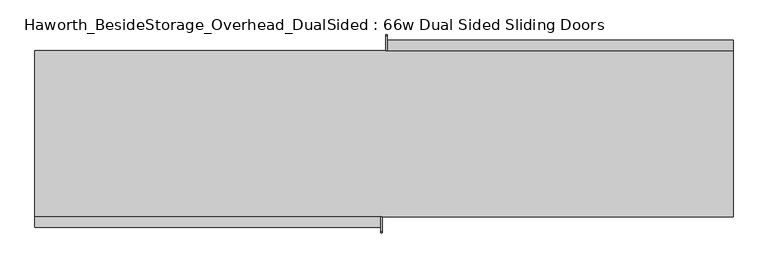
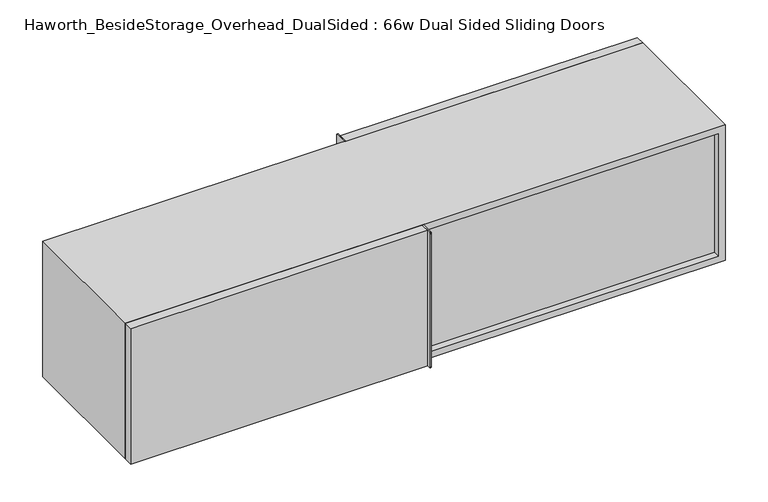
"""IFC4 building model written with IfcOpenShell, lengths in millimetres: furniture geometry, Haworth_BesideStorage_Overhead_DualSided : 66w Dual Sided Sliding Doors."""

import ifcopenshell
import ifcopenshell.guid

model = None  # the IFC model being written
_history = None  # IfcOwnerHistory: only IFC2X3 demands one
_inside = {}  # id of a spatial element -> (the spatial element, [elements in it])
_under = {}  # id of a project, library or spatial element -> (it, [spatial elements below it])
_declared = {}  # id of a project -> (the project, [libraries it declares])
_typed = {}  # id of a type object -> (the type object, [elements of that type])
_made_of = {}  # id of a material, layer set ... -> (it, [elements and type objects made of it])


def new_model(schema):
    """Start an empty IFC model of exactly this schema.

    Asked for "IFC4X3", IfcOpenShell would pick the latest addendum, in which some entities
    have other attributes; the version numbers below select the first issue.
    IFC2X3 requires an IfcOwnerHistory on every rooted entity: one is made here for all.
    """
    global model, _history
    if schema == "IFC4X3":
        model = ifcopenshell.file(schema_version=(4, 3, 0, 0))
    else:
        model = ifcopenshell.file(schema=schema)
    _inside.clear()
    _under.clear()
    _declared.clear()
    _typed.clear()
    _made_of.clear()
    _history = None
    if model.schema == "IFC2X3":
        org = make("IfcOrganization", Name="unknown")
        user = make(
            "IfcPersonAndOrganization",
            ThePerson=make("IfcPerson", FamilyName="unknown"),
            TheOrganization=org,
        )
        app = make(
            "IfcApplication",
            ApplicationDeveloper=org,
            Version="unknown",
            ApplicationFullName="unknown",
            ApplicationIdentifier="unknown",
        )
        _history = make(
            "IfcOwnerHistory",
            OwningUser=user,
            OwningApplication=app,
            ChangeAction="ADDED",
            CreationDate=0,
        )
    return model


def make(cls, **values):
    """One entity of the class cls with the attributes given. An attribute that is None is left unset."""
    return model.create_entity(
        cls, **{name: value for name, value in values.items() if value is not None}
    )


def rooted(cls, **values):
    """An entity with a GlobalId (a new one), such as an element, a storey or a relation."""
    return make(cls, GlobalId=ifcopenshell.guid.new(), OwnerHistory=_history, **values)


def si_unit(unit_type, name, prefix=None):
    """IfcSIUnit, for example si_unit("LENGTHUNIT", "METRE", prefix="MILLI")."""
    return make("IfcSIUnit", UnitType=unit_type, Prefix=prefix, Name=name)


def assignment(units):
    """IfcUnitAssignment: the units of a project."""
    return None if units is None else make("IfcUnitAssignment", Units=units)


def point(xyz):
    """IfcCartesianPoint."""
    return None if xyz is None else make("IfcCartesianPoint", Coordinates=xyz)


def direction(xyz):
    """IfcDirection."""
    return None if xyz is None else make("IfcDirection", DirectionRatios=xyz)


def frame(location, z_axis=None, x_axis=None):
    """IfcAxis2Placement3D, a coordinate frame: its origin and axes. An axis left out is left unset."""
    return make(
        "IfcAxis2Placement3D",
        Location=point(location),
        Axis=direction(z_axis),
        RefDirection=direction(x_axis),
    )


def frame_2d(location, x_axis=None):
    """IfcAxis2Placement2D, a coordinate frame in the plane: its origin and x axis."""
    return make(
        "IfcAxis2Placement2D", Location=point(location), RefDirection=direction(x_axis)
    )


def origin():
    """The frame at (0, 0, 0) with its axes left unset."""
    return frame((0.0, 0.0, 0.0))


def place(relative_to, where):
    """IfcLocalPlacement: puts the frame where relative to a parent placement (None: the world)."""
    return make(
        "IfcLocalPlacement", PlacementRelTo=relative_to, RelativePlacement=where
    )


def context(
    kind, dimensions, precision=None, world=None, true_north=None, identifier=None
):
    """IfcGeometricRepresentationContext, for example the 3D "Model" context."""
    return make(
        "IfcGeometricRepresentationContext",
        ContextIdentifier=identifier,
        ContextType=kind,
        CoordinateSpaceDimension=dimensions,
        Precision=precision,
        WorldCoordinateSystem=world,
        TrueNorth=true_north,
    )


def project(units=None, contexts=None):
    """IfcProject with its units and contexts."""
    return rooted(
        "IfcProject",
        Name="project",
        RepresentationContexts=contexts,
        UnitsInContext=assignment(units),
    )


def spatial(cls, under=None, at=None, **own):
    """A site, building, storey or space (cls), placed at a placement, below another one or the project."""
    s = rooted(cls, ObjectPlacement=at, **own)
    if under is not None:
        _under.setdefault(under.id(), (under, []))[1].append(s)
    return s


def polyline(points):
    """IfcPolyline through the points."""
    return make("IfcPolyline", Points=[point(p) for p in points])


def circle_curve(where, radius):
    """IfcCircle in the frame where."""
    return make("IfcCircle", Position=where, Radius=radius)


def trimmed(basis, trim1, trim2, sense, master):
    """IfcTrimmedCurve: the piece of a basis curve between two trims."""
    return make(
        "IfcTrimmedCurve",
        BasisCurve=basis,
        Trim1=trim1,
        Trim2=trim2,
        SenseAgreement=sense,
        MasterRepresentation=master,
    )


def segment(curve, same_sense, transition):
    """IfcCompositeCurveSegment."""
    return make(
        "IfcCompositeCurveSegment",
        Transition=transition,
        SameSense=same_sense,
        ParentCurve=curve,
    )


def composite_curve(segments, self_intersect=None):
    """IfcCompositeCurve: segments joined end to end."""
    return make("IfcCompositeCurve", Segments=segments, SelfIntersect=self_intersect)


def outline(outer, holes=None, kind="AREA"):
    """IfcArbitraryClosedProfileDef: a profile drawn as a closed curve; with holes, ...WithVoids."""
    if holes is None:
        return make("IfcArbitraryClosedProfileDef", ProfileType=kind, OuterCurve=outer)
    return make(
        "IfcArbitraryProfileDefWithVoids",
        ProfileType=kind,
        OuterCurve=outer,
        InnerCurves=holes,
    )


def extrude(swept, where, along, depth):
    """IfcExtrudedAreaSolid: the profile swept, set in the frame where, extruded along a direction by depth."""
    return make(
        "IfcExtrudedAreaSolid",
        SweptArea=swept,
        Position=where,
        ExtrudedDirection=direction(along),
        Depth=depth,
    )


def shape(context_of_items, identifier, shape_type, items):
    """IfcShapeRepresentation: the items that make up one representation, for example the "Body"."""
    return make(
        "IfcShapeRepresentation",
        ContextOfItems=context_of_items,
        RepresentationIdentifier=identifier,
        RepresentationType=shape_type,
        Items=items,
    )


def source(mapping_origin, context_of_items, identifier, shape_type, items):
    """IfcRepresentationMap: a shape defined once, which mapped items show again and again."""
    return make(
        "IfcRepresentationMap",
        MappingOrigin=mapping_origin,
        MappedRepresentation=shape(context_of_items, identifier, shape_type, items),
    )


def transform(
    local_origin,
    x_axis=None,
    y_axis=None,
    z_axis=None,
    scale=None,
    scale2=None,
    scale3=None,
    uniform=True,
):
    """IfcCartesianTransformationOperator3D, or its non-uniform kind. x_axis, y_axis, z_axis: its Axis1, 2, 3."""
    if uniform:
        return make(
            "IfcCartesianTransformationOperator3D",
            Axis1=direction(x_axis),
            Axis2=direction(y_axis),
            LocalOrigin=point(local_origin),
            Scale=scale,
            Axis3=direction(z_axis),
        )
    return make(
        "IfcCartesianTransformationOperator3DnonUniform",
        Axis1=direction(x_axis),
        Axis2=direction(y_axis),
        LocalOrigin=point(local_origin),
        Scale=scale,
        Axis3=direction(z_axis),
        Scale2=scale2,
        Scale3=scale3,
    )


def mapped(mapping_source, mapping_target):
    """IfcMappedItem: shows the shape of a source again, moved by a transform."""
    return make(
        "IfcMappedItem", MappingSource=mapping_source, MappingTarget=mapping_target
    )


def made_of(thing, what):
    """Note that an element or type object is made of a material, layer set ...; save() writes the relation."""
    if what is not None:
        _made_of.setdefault(what.id(), (what, []))[1].append(thing)
    return thing


def element(
    cls,
    number,
    at=None,
    inside=None,
    cuts=None,
    type_object=None,
    material=None,
    context=None,
    identifier="Body",
    shape_type=None,
    held_by="IfcProductDefinitionShape",
    body=None,
    shapes=None,
    **own,
):
    """One element of the class cls, such as IfcWall. Its Tag is "e" and its number.

    at: its placement. inside: the storey or other place that contains it. cuts: it is an
    opening in that element (IfcRelVoidsElement). A single representation is given by context,
    identifier, shape_type and body (its items); several are given by shapes. held_by: the class
    of the entity that holds the representations. save() writes the other relations.
    """
    e = rooted(cls, Tag="e%d" % number, ObjectPlacement=at, **own)
    if body is not None:
        shapes = [shape(context, identifier, shape_type, body)]
    if shapes is not None:
        e.Representation = make(held_by, Representations=shapes)
    if inside is not None:
        _inside.setdefault(inside.id(), (inside, []))[1].append(e)
    if cuts is not None:
        rooted(
            "IfcRelVoidsElement", RelatingBuildingElement=cuts, RelatedOpeningElement=e
        )
    if type_object is not None:
        _typed.setdefault(type_object.id(), (type_object, []))[1].append(e)
    return made_of(e, material)


def aggregate(whole, parts):
    """IfcRelAggregates: a whole, such as a stair, and the parts it consists of."""
    return rooted("IfcRelAggregates", RelatingObject=whole, RelatedObjects=parts)


def save(model, path):
    """Write the relations noted so far, then the file.

    IfcRelAggregates (storeys below a building ...), IfcRelContainedInSpatialStructure (elements
    in a storey), IfcRelDefinesByType, IfcRelAssociatesMaterial and IfcRelDeclares: one each for
    every whole, place, type object, material and project.
    """
    for whole, parts in _under.values():
        aggregate(whole, parts)
    for where, things in _inside.values():
        rooted(
            "IfcRelContainedInSpatialStructure",
            RelatedElements=things,
            RelatingStructure=where,
        )
    for kind, things in _typed.values():
        rooted("IfcRelDefinesByType", RelatedObjects=things, RelatingType=kind)
    for what, things in _made_of.values():
        rooted("IfcRelAssociatesMaterial", RelatedObjects=things, RelatingMaterial=what)
    for by, libraries in _declared.values():
        rooted("IfcRelDeclares", RelatingContext=by, RelatedDefinitions=libraries)
    model.write(path)


def haworth_besidestorage_overhead_dualsided_66w_dual_sided_c8a4bcac(model_context):
    return source(origin(), model_context, "Body", "SweptSolid", [
        extrude(outline(composite_curve([segment(polyline([(-3.175, 1162.05), (31.75, 1162.05)]), True, "CONTINUOUS"), segment(trimmed(circle_curve(frame_2d((31.75, 1158.875)), 3.175), [point((31.75, 1162.05))], [point((34.925, 1158.875))], False, "CARTESIAN"), True, "CONTINUOUS"), segment(polyline([(34.925, 1158.875), (34.925, 765.175)]), True, "CONTINUOUS"), segment(trimmed(circle_curve(frame_2d((31.75, 765.175)), 3.175), [point((34.925, 765.175))], [point((31.75, 762.0))], False, "CARTESIAN"), True, "CONTINUOUS"), segment(polyline([(31.75, 762.0), (-3.175, 762.0), (-3.175, 1162.05)]), True, "CONTINUOUS")], self_intersect=False)), frame((-68.0434159, 0.0, 0.0), z_axis=(1.0, 0.0, 0.0), x_axis=(0.0, 1.0, 0.0)), (0.0, 0.0, 1.0), 3.175),
        extrude(outline(polyline([(765.3940841, -3.175), (-64.8684159, -3.175), (-64.8684159, 22.225), (765.3940841, 22.225), (765.3940841, -3.175)])), frame((0.0, 0.0, 762.0), z_axis=(0.0, 0.0, 1.0), x_axis=(1.0, 0.0, 0.0)), (0.0, 0.0, 1.0), 400.05),
        extrude(outline(composite_curve([segment(polyline([(-403.225, 1162.05), (-403.225, 762.0), (-438.15, 762.0)]), True, "CONTINUOUS"), segment(trimmed(circle_curve(frame_2d((-438.15, 765.175)), 3.175), [point((-438.15, 762.0))], [point((-441.325, 765.175))], False, "CARTESIAN"), True, "CONTINUOUS"), segment(polyline([(-441.325, 765.175), (-441.325, 1158.875)]), True, "CONTINUOUS"), segment(trimmed(circle_curve(frame_2d((-438.15, 1158.875)), 3.175), [point((-441.325, 1158.875))], [point((-438.15, 1162.05))], False, "CARTESIAN"), True, "CONTINUOUS"), segment(polyline([(-438.15, 1162.05), (-403.225, 1162.05)]), True, "CONTINUOUS")], self_intersect=False)), frame((-80.7434159, 0.0, 0.0), z_axis=(1.0, 0.0, 0.0), x_axis=(0.0, 1.0, 0.0)), (0.0, 0.0, 1.0), 3.175),
        extrude(outline(polyline([(-911.0059159, -403.225), (-80.7434159, -403.225), (-80.7434159, -428.625), (-911.0059159, -428.625), (-911.0059159, -403.225)])), frame((0.0, 0.0, 762.0), z_axis=(0.0, 0.0, 1.0), x_axis=(1.0, 0.0, 0.0)), (0.0, 0.0, 1.0), 400.05),
        extrude(outline(polyline([(-64.8684159, -371.475), (746.3440841, -371.475), (746.3440841, -384.175), (-64.8684159, -384.175), (-64.8684159, -371.475)])), frame((0.0, 0.0, 781.05), z_axis=(0.0, 0.0, 1.0), x_axis=(1.0, 0.0, 0.0)), (0.0, 0.0, 1.0), 361.95),
        extrude(outline(polyline([(-891.9559159, -22.225), (-80.7434159, -22.225), (-80.7434159, -34.925), (-891.9559159, -34.925), (-891.9559159, -22.225)])), frame((0.0, 0.0, 781.05), z_axis=(0.0, 0.0, 1.0), x_axis=(1.0, 0.0, 0.0)), (0.0, 0.0, 1.0), 361.95),
        extrude(outline(polyline([(762.0, 765.3940841), (1162.05, 765.3940841), (1162.05, -911.0059159), (762.0, -911.0059159), (762.0, 765.3940841)]), holes=[polyline([(1143.0, -80.7434159), (781.05, -80.7434159), (781.05, -891.9559159), (1143.0, -891.9559159), (1143.0, -80.7434159)]), polyline([(781.05, 746.3440841), (781.05, -64.8684159), (1143.0, -64.8684159), (1143.0, 746.3440841), (781.05, 746.3440841)])]), frame((0.0, -403.225, 0.0), z_axis=(0.0, 1.0, 0.0), x_axis=(0.0, 0.0, 1.0)), (0.0, 0.0, 1.0), 400.05),
    ])


if __name__ == "__main__":
    model = new_model("IFC4")
    model_context = context("Model", 3, world=origin())
    ifc_project = project(units=[si_unit("LENGTHUNIT", "METRE", prefix="MILLI")], contexts=[model_context])
    site = spatial("IfcSite", under=ifc_project)
    building = spatial("IfcBuilding", under=site)
    placement = place(None, origin())
    haworth_besidestorage_overhead_dualsided_66w_dual_sided_shape = haworth_besidestorage_overhead_dualsided_66w_dual_sided_c8a4bcac(model_context)
    element("IfcFurniture", 1, ObjectType="Haworth_BesideStorage_Overhead_DualSided : 66w Dual Sided Sliding Doors", at=placement, inside=building, context=model_context, shape_type="MappedRepresentation", body=[
        mapped(haworth_besidestorage_overhead_dualsided_66w_dual_sided_shape, transform((0.0, 0.0, 0.0), x_axis=(1.0, 0.0, 0.0), y_axis=(0.0, 1.0, 0.0), z_axis=(0.0, 0.0, 1.0))),
    ])
    save(model, "model.ifc")
